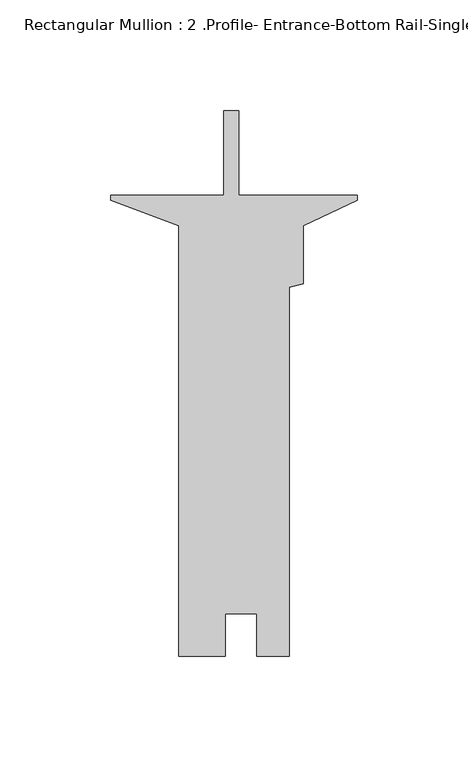
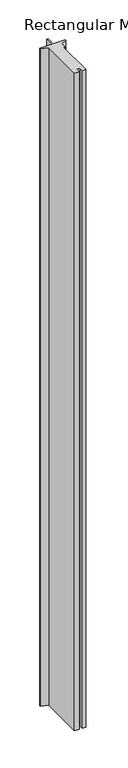
"""IFC4 building model written with IfcOpenShell, lengths in millimetres: member geometry, Rectangular Mullion : 2 .Profile- Entrance-Bottom Rail-Single Acting- Detail-2."""

from ifc_helpers import new_model, si_unit, frame, origin, place, context, project, spatial, polyline, outline, extrude, source, transform, mapped, element, save


def rectangular_mullion_2_profile_entrance_bottom_rail_single_160c41bb(model_context):
    return source(origin(), model_context, "Body", "SweptSolid", [
        extrude(outline(polyline([(-59.5756934, -207.96377), (-80.4545, -207.96377), (-80.4545, -13.8177076), (-111.125, -2.38125), (-111.125, 0.0), (-60.2059375, 0.0), (-60.2059375, 38.0987736), (-53.4749375, 38.0987736), (-53.4749375, 0.0), (0.0, 0.0), (0.0, -2.38125), (-24.3205, -13.6729107), (-24.3205, -39.9392826), (-30.6705, -41.64076), (-30.6705, -207.9637713), (-45.2628, -207.9637713), (-45.2628, -188.9391713), (-59.5756934, -188.9391713), (-59.5756934, -207.96377)])), frame((0.0, 0.0, -3048.0), z_axis=(0.0, 0.0, 1.0), x_axis=(1.0, 0.0, 0.0)), (0.0, 0.0, 1.0), 3048.0),
    ])


if __name__ == "__main__":
    model = new_model("IFC4")
    model_context = context("Model", 3, world=origin())
    ifc_project = project(units=[si_unit("LENGTHUNIT", "METRE", prefix="MILLI")], contexts=[model_context])
    site = spatial("IfcSite", under=ifc_project)
    building = spatial("IfcBuilding", under=site)
    placement = place(None, origin())
    rectangular_mullion_2_profile_entrance_bottom_rail_single_shape = rectangular_mullion_2_profile_entrance_bottom_rail_single_160c41bb(model_context)
    element("IfcMember", 1, ObjectType="Rectangular Mullion : 2 .Profile- Entrance-Bottom Rail-Single Acting- Detail-2", at=placement, inside=building, context=model_context, shape_type="MappedRepresentation", body=[
        mapped(rectangular_mullion_2_profile_entrance_bottom_rail_single_shape, transform((0.0, 0.0, 0.0), x_axis=(1.0, 0.0, 0.0), y_axis=(0.0, 1.0, 0.0), z_axis=(0.0, 0.0, 1.0))),
    ])
    save(model, "model.ifc")
